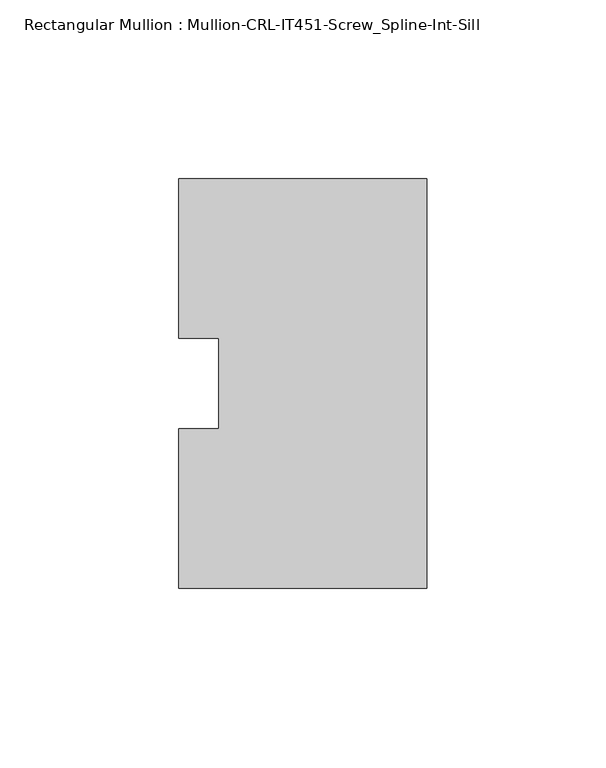
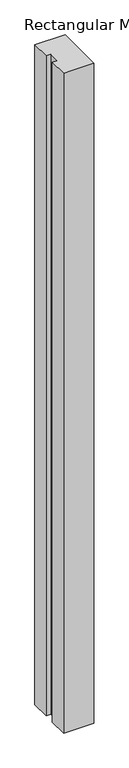
"""IFC4 building model written with IfcOpenShell, lengths in millimetres: member geometry, Rectangular Mullion : Mullion-CRL-IT451-Screw_Spline-Int-Sill."""

from ifc_helpers import new_model, si_unit, frame, origin, place, context, project, spatial, polyline, outline, extrude, source, transform, mapped, element, save


def rectangular_mullion_mullion_crl_it451_screw_spline_int_sill_8cb34b66(model_context):
    return source(origin(), model_context, "Body", "SweptSolid", [
        extrude(outline(polyline([(0.0, -57.15), (-69.2658181, -57.15), (-69.2658181, -12.7), (-58.1533181, -12.7), (-58.1533181, 12.7), (-69.2658181, 12.7), (-69.2658181, 57.15), (0.0, 57.15), (0.0, -57.15)])), frame((0.0, 0.0, -1603.375), z_axis=(0.0, 0.0, 1.0), x_axis=(1.0, 0.0, 0.0)), (0.0, 0.0, 1.0), 1603.375),
    ])


if __name__ == "__main__":
    model = new_model("IFC4")
    model_context = context("Model", 3, world=origin())
    ifc_project = project(units=[si_unit("LENGTHUNIT", "METRE", prefix="MILLI")], contexts=[model_context])
    site = spatial("IfcSite", under=ifc_project)
    building = spatial("IfcBuilding", under=site)
    placement = place(None, origin())
    rectangular_mullion_mullion_crl_it451_screw_spline_int_sill_shape = rectangular_mullion_mullion_crl_it451_screw_spline_int_sill_8cb34b66(model_context)
    element("IfcMember", 1, ObjectType="Rectangular Mullion : Mullion-CRL-IT451-Screw_Spline-Int-Sill", at=placement, inside=building, context=model_context, shape_type="MappedRepresentation", body=[
        mapped(rectangular_mullion_mullion_crl_it451_screw_spline_int_sill_shape, transform((0.0, 0.0, 0.0), x_axis=(1.0, 0.0, 0.0), y_axis=(0.0, 1.0, 0.0), z_axis=(0.0, 0.0, 1.0))),
    ])
    save(model, "model.ifc")
